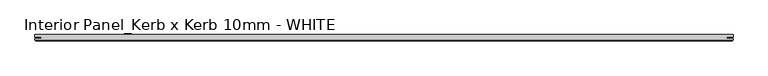
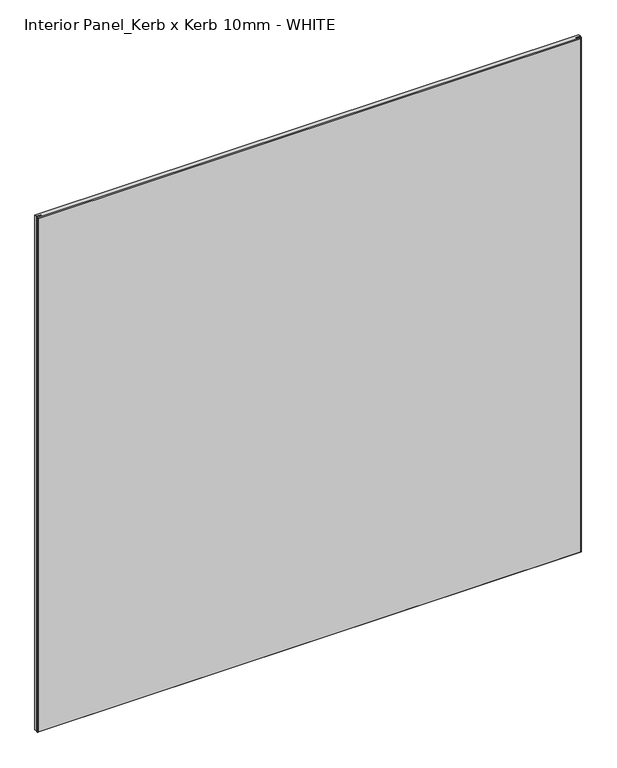
"""IFC4 building model written with IfcOpenShell, lengths in millimetres: proxy geometry, Interior Panel_Kerb x Kerb 10mm - WHITE."""

from ifc_helpers import new_model, si_unit, origin, place, context, project, spatial, faceted_brep, source, transform, mapped, element, save


def interior_panel_kerb_x_kerb_10mm_white_3ef683a0(model_context):
    return source(origin(), model_context, "Body", "Brep", [
        faceted_brep([(990.6, 3.175, 1063.625), (-73.025, 3.175, 1063.625), (-73.025, -0.5207, 1063.625), (-63.2023437, -0.5207, 1063.625), (-63.2023437, -2.6543, 1063.625), (-73.025, -2.6543, 1063.625), (-73.025, -4.7625, 1063.625), (990.6, -4.7625, 1063.625), (990.6, -2.6543, 1063.625), (980.7773437, -2.6543, 1063.625), (980.7773437, -0.5207, 1063.625), (990.6, -0.5207, 1063.625), (990.6, 3.175, 0.0), (990.6, -0.5207, 0.0), (980.7773437, -0.5207, 0.0), (980.7773437, -2.6543, 0.0), (990.6, -2.6543, 0.0), (990.6, -4.7625, 0.0), (-73.025, -4.7625, 0.0), (-73.025, -2.6543, 0.0), (-63.2023437, -2.6543, 0.0), (-63.2023437, -0.5207, 0.0), (-73.025, -0.5207, 0.0), (-73.025, 3.175, 0.0), (-71.4375, -6.35, 1062.0375), (-71.4375, -6.35, 1.5875), (989.0125, -6.35, 1.5875), (989.0125, -6.35, 1062.0375)], [[[0, 1, 2, 3, 4, 5, 6, 7, 8, 9, 10, 11]], [[12, 13, 14, 15, 16, 17, 18, 19, 20, 21, 22, 23]], [[1, 0, 12, 23]], [[6, 5, 19, 18]], [[24, 25, 26, 27]], [[8, 7, 17, 16]], [[6, 18, 25, 24]], [[17, 7, 27, 26]], [[7, 6, 24, 27]], [[18, 17, 26, 25]], [[9, 8, 16, 15]], [[10, 9, 15, 14]], [[11, 10, 14, 13]], [[0, 11, 13, 12]], [[2, 1, 23, 22]], [[3, 2, 22, 21]], [[4, 3, 21, 20]], [[5, 4, 20, 19]]]),
    ])


if __name__ == "__main__":
    model = new_model("IFC4")
    model_context = context("Model", 3, world=origin())
    ifc_project = project(units=[si_unit("LENGTHUNIT", "METRE", prefix="MILLI")], contexts=[model_context])
    site = spatial("IfcSite", under=ifc_project)
    building = spatial("IfcBuilding", under=site)
    placement = place(None, origin())
    interior_panel_kerb_x_kerb_10mm_white_shape = interior_panel_kerb_x_kerb_10mm_white_3ef683a0(model_context)
    element("IfcBuildingElementProxy", 1, Name="Interior Panel_Kerb x Kerb 10mm - WHITE", ObjectType="Interior Panel_Kerb x Kerb 10mm - WHITE", at=placement, inside=building, context=model_context, shape_type="MappedRepresentation", body=[
        mapped(interior_panel_kerb_x_kerb_10mm_white_shape, transform((0.0, 0.0, 0.0), x_axis=(1.0, 0.0, 0.0), y_axis=(0.0, 1.0, 0.0), z_axis=(0.0, 0.0, 1.0))),
    ])
    save(model, "model.ifc")
